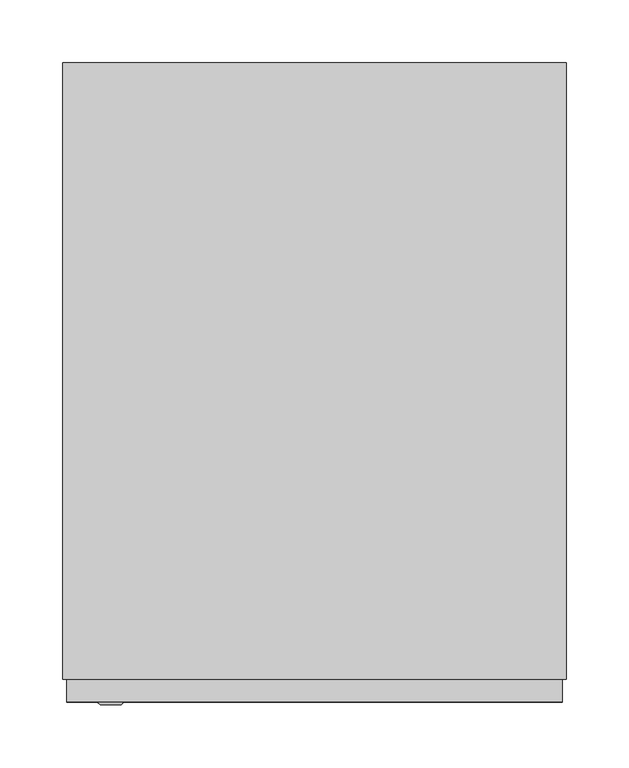
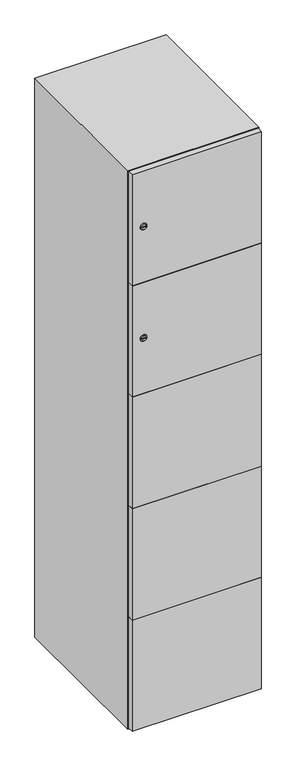
"""IFC4 building model written with IfcOpenShell, lengths in millimetres: furniture geometry."""

from ifc_helpers import new_model, si_unit, point, frame, frame_2d, origin, place, context, project, spatial, polyline, circle_curve, trimmed, segment, composite_curve, outline, extrude, faceted_brep, source, transform, mapped, element, save
from ifc_brep_helpers import plane_surface, revolved_surface, advanced_brep


def furniture_d83f800d(model_context):
    return source(origin(), model_context, "Body", "SolidModel", [
        advanced_brep(
        [(-153.5, -265.2, 1358.8), (-170.5, -265.2, 1358.8), (-167.0, -265.2, 1357.55), (-167.0, -265.2, 1360.05), (-157.0, -265.2, 1360.05), (-157.0, -265.2, 1357.55), (-151.5, -263.0, 1358.8), (-172.5, -263.0, 1358.8), (-167.0, -263.0, 1360.05), (-167.0, -263.0, 1357.55), (-157.0, -263.0, 1357.55), (-157.0, -263.0, 1360.05)],
        [
            (0, 1, circle_curve(frame((-162.0, -265.2, 1358.8), z_axis=(0.0, -1.0, 0.0), x_axis=(1.0, 0.0, 0.0)), 8.5)),
            (1, 0, circle_curve(frame((-162.0, -265.2, 1358.8), z_axis=(0.0, -1.0, 0.0), x_axis=(-1.0, 0.0, 0.0)), 8.5)),
            (2, 3),
            (3, 4),
            (4, 5),
            (5, 2),
            (6, 7, circle_curve(frame((-162.0, -263.0, 1358.8), z_axis=(0.0, 1.0, 0.0), x_axis=(-1.0, 0.0, 0.0)), 10.5)),
            (7, 6, circle_curve(frame((-162.0, -263.0, 1358.8), z_axis=(0.0, 1.0, 0.0), x_axis=(1.0, 0.0, 0.0)), 10.5)),
            (8, 9),
            (9, 10),
            (10, 11),
            (11, 8),
            (0, 6),
            (7, 1),
            (8, 3),
            (2, 9),
            (11, 4),
            (10, 5),
        ],
        [
            plane_surface(frame((-162.0, -265.2, 1358.8), z_axis=(0.0, -1.0, 0.0), x_axis=(0.0, 0.0, 1.0))),
            plane_surface(frame((-162.0, -263.0, 1358.8), z_axis=(0.0, 1.0, 0.0), x_axis=(0.0, 0.0, 1.0))),
            revolved_surface(polyline([(-153.5, -265.2, 1358.8), (-151.5, -263.0, 1358.8)]), (-162.0, -274.55, 1358.8), (0.0, 1.0, 0.0)),
            revolved_surface(polyline([(-170.5, -265.2, 1358.8), (-172.5, -263.0, 1358.8)]), (-162.0, -274.55, 1358.8), (0.0, 1.0, 0.0)),
            plane_surface(frame((-167.0, -263.0, 1357.55), z_axis=(1.0, 0.0, 0.0), x_axis=(0.0, -1.0, 0.0))),
            plane_surface(frame((-167.0, -263.0, 1360.05), z_axis=(0.0, 0.0, -1.0), x_axis=(0.0, -1.0, 0.0))),
            plane_surface(frame((-157.0, -263.0, 1360.05), z_axis=(-1.0, 0.0, 0.0), x_axis=(0.0, -1.0, 0.0))),
            plane_surface(frame((-157.0, -263.0, 1357.55), z_axis=(0.0, 0.0, 1.0), x_axis=(0.0, -1.0, 0.0))),
        ],
        [
            (0, [[1, 2], [3, 4, 5, 6]]),
            (1, [[7, 8], [9, 10, 11, 12]]),
            (2, [[-1, 13, -8, 14]]),
            (3, [[-2, -14, -7, -13]]),
            (4, [[15, -3, 16, -9]]),
            (5, [[-15, -12, 17, -4]]),
            (6, [[-17, -11, 18, -5]]),
            (7, [[-16, -6, -18, -10]]),
        ],
    ),
        extrude(outline(composite_curve([segment(trimmed(circle_curve(frame_2d((1717.6, -188.7989466)), 7.0), [point((1724.6, -188.7989466))], [point((1710.6, -188.7989466))], False, "CARTESIAN"), True, "CONTINUOUS"), segment(polyline([(1710.6, -188.7989466), (1710.6, -160.7989466)]), True, "CONTINUOUS"), segment(trimmed(circle_curve(frame_2d((1717.6, -160.7989466)), 7.0), [point((1710.6, -160.7989466))], [point((1724.6, -160.7989466))], False, "CARTESIAN"), True, "CONTINUOUS"), segment(polyline([(1724.6, -160.7989466), (1724.6, -188.7989466)]), True, "CONTINUOUS")], self_intersect=False)), frame((0.0, -245.0, 0.0), z_axis=(0.0, 1.0, 0.0), x_axis=(0.0, 0.0, 1.0)), (0.0, 0.0, 1.0), 2.0),
        advanced_brep(
        [(-153.5, -265.2, 1717.6), (-170.5, -265.2, 1717.6), (-167.0, -265.2, 1716.35), (-167.0, -265.2, 1718.85), (-157.0, -265.2, 1718.85), (-157.0, -265.2, 1716.35), (-151.5, -263.0, 1717.6), (-172.5, -263.0, 1717.6), (-167.0, -263.0, 1718.85), (-167.0, -263.0, 1716.35), (-157.0, -263.0, 1716.35), (-157.0, -263.0, 1718.85)],
        [
            (0, 1, circle_curve(frame((-162.0, -265.2, 1717.6), z_axis=(0.0, -1.0, 0.0), x_axis=(1.0, 0.0, 0.0)), 8.5)),
            (1, 0, circle_curve(frame((-162.0, -265.2, 1717.6), z_axis=(0.0, -1.0, 0.0), x_axis=(-1.0, 0.0, 0.0)), 8.5)),
            (2, 3),
            (3, 4),
            (4, 5),
            (5, 2),
            (6, 7, circle_curve(frame((-162.0, -263.0, 1717.6), z_axis=(0.0, 1.0, 0.0), x_axis=(-1.0, 0.0, 0.0)), 10.5)),
            (7, 6, circle_curve(frame((-162.0, -263.0, 1717.6), z_axis=(0.0, 1.0, 0.0), x_axis=(1.0, 0.0, 0.0)), 10.5)),
            (8, 9),
            (9, 10),
            (10, 11),
            (11, 8),
            (0, 6),
            (7, 1),
            (8, 3),
            (2, 9),
            (11, 4),
            (10, 5),
        ],
        [
            plane_surface(frame((-162.0, -265.2, 1717.6), z_axis=(0.0, -1.0, 0.0), x_axis=(0.0, 0.0, 1.0))),
            plane_surface(frame((-162.0, -263.0, 1717.6), z_axis=(0.0, 1.0, 0.0), x_axis=(0.0, 0.0, 1.0))),
            revolved_surface(polyline([(-153.5, -265.2, 1717.6), (-151.5, -263.0, 1717.6)]), (-162.0, -274.55, 1717.6), (0.0, 1.0, 0.0)),
            revolved_surface(polyline([(-170.5, -265.2, 1717.6), (-172.5, -263.0, 1717.6)]), (-162.0, -274.55, 1717.6), (0.0, 1.0, 0.0)),
            plane_surface(frame((-167.0, -263.0, 1716.35), z_axis=(1.0, 0.0, 0.0), x_axis=(0.0, -1.0, 0.0))),
            plane_surface(frame((-167.0, -263.0, 1718.85), z_axis=(0.0, 0.0, -1.0), x_axis=(0.0, -1.0, 0.0))),
            plane_surface(frame((-157.0, -263.0, 1718.85), z_axis=(-1.0, 0.0, 0.0), x_axis=(0.0, -1.0, 0.0))),
            plane_surface(frame((-157.0, -263.0, 1716.35), z_axis=(0.0, 0.0, 1.0), x_axis=(0.0, -1.0, 0.0))),
        ],
        [
            (0, [[1, 2], [3, 4, 5, 6]]),
            (1, [[7, 8], [9, 10, 11, 12]]),
            (2, [[-1, 13, -8, 14]]),
            (3, [[-2, -14, -7, -13]]),
            (4, [[15, -3, 16, -9]]),
            (5, [[-15, -12, 17, -4]]),
            (6, [[-17, -11, 18, -5]]),
            (7, [[-16, -6, -18, -10]]),
        ],
    ),
        extrude(outline(polyline([(197.0, -245.0), (197.0, -263.0), (-197.0, -263.0), (-197.0, -245.0), (197.0, -245.0)])), frame((0.0, 0.0, 820.1), z_axis=(0.0, 0.0, 1.0), x_axis=(1.0, 0.0, 0.0)), (0.0, 0.0, 1.0), 359.8),
        extrude(outline(polyline([(197.0, -245.0), (197.0, -263.0), (-197.0, -263.0), (-197.0, -245.0), (197.0, -245.0)])), frame((0.0, 0.0, 461.3), z_axis=(0.0, 0.0, 1.0), x_axis=(1.0, 0.0, 0.0)), (0.0, 0.0, 1.0), 359.8),
        extrude(outline(polyline([(197.0, -245.0), (197.0, -263.0), (-197.0, -263.0), (-197.0, -245.0), (197.0, -245.0)])), frame((0.0, 0.0, 1178.9), z_axis=(0.0, 0.0, 1.0), x_axis=(1.0, 0.0, 0.0)), (0.0, 0.0, 1.0), 358.8),
        extrude(outline(polyline([(-197.0, -263.0), (-197.0, -245.0), (197.0, -245.0), (197.0, -263.0), (-197.0, -263.0)])), frame((0.0, 0.0, 1538.7), z_axis=(0.0, 0.0, 1.0), x_axis=(1.0, 0.0, 0.0)), (0.0, 0.0, 1.0), 358.3),
        extrude(outline(polyline([(197.0, -245.0), (197.0, -263.0), (-197.0, -263.0), (-197.0, -245.0), (197.0, -245.0)])), frame((0.0, 0.0, 103.0), z_axis=(0.0, 0.0, 1.0), x_axis=(1.0, 0.0, 0.0)), (0.0, 0.0, 1.0), 359.3),
        extrude(outline(polyline([(182.0, 227.0), (182.0, -227.0), (-182.0, -227.0), (-182.0, 227.0), (182.0, 227.0)])), frame((0.0, 0.0, 1520.2), z_axis=(0.0, 0.0, 1.0), x_axis=(1.0, 0.0, 0.0)), (0.0, 0.0, 1.0), 18.0),
        extrude(outline(polyline([(182.0, 227.0), (182.0, -227.0), (-182.0, -227.0), (-182.0, 227.0), (182.0, 227.0)])), frame((0.0, 0.0, 1167.4), z_axis=(0.0, 0.0, 1.0), x_axis=(1.0, 0.0, 0.0)), (0.0, 0.0, 1.0), 18.0),
        extrude(outline(polyline([(182.0, 227.0), (182.0, -227.0), (-182.0, -227.0), (-182.0, 227.0), (182.0, 227.0)])), frame((0.0, 0.0, 814.6), z_axis=(0.0, 0.0, 1.0), x_axis=(1.0, 0.0, 0.0)), (0.0, 0.0, 1.0), 18.0),
        extrude(outline(polyline([(-182.0, 227.0), (182.0, 227.0), (182.0, -227.0), (-182.0, -227.0), (-182.0, 227.0)])), frame((0.0, 0.0, 461.8), z_axis=(0.0, 0.0, 1.0), x_axis=(1.0, 0.0, 0.0)), (0.0, 0.0, 1.0), 18.0),
        faceted_brep([(200.0, -245.0, 100.0), (200.0, -245.0, 1900.0), (-200.0, -245.0, 1900.0), (-200.0, -245.0, 100.0), (182.0, -245.0, 1882.0), (182.0, -245.0, 118.0), (-182.0, -245.0, 118.0), (-182.0, -245.0, 1882.0), (200.0, 245.0, 100.0), (-200.0, 245.0, 100.0), (200.0, 245.0, 1900.0), (-200.0, 245.0, 1900.0), (182.0, 227.0, 1882.0), (182.0, 227.0, 118.0), (-200.0, 245.0, 1882.0), (-182.0, 227.0, 1882.0), (-182.0, 227.0, 118.0)], [[[0, 1, 2, 3], [4, 5, 6, 7]], [[8, 0, 3, 9]], [[1, 0, 8, 10]], [[1, 10, 11, 2]], [[4, 12, 13, 5]], [[9, 3, 2, 11, 14]], [[10, 8, 9, 14, 11]], [[12, 15, 16, 13]], [[15, 7, 6, 16]], [[4, 7, 15, 12]], [[6, 5, 13, 16]]]),
    ])


if __name__ == "__main__":
    model = new_model("IFC4")
    model_context = context("Model", 3, world=origin())
    ifc_project = project(units=[si_unit("LENGTHUNIT", "METRE", prefix="MILLI")], contexts=[model_context])
    site = spatial("IfcSite", under=ifc_project)
    building = spatial("IfcBuilding", under=site)
    placement = place(None, origin())
    furniture_shape = furniture_d83f800d(model_context)
    element("IfcFurniture", 1, at=placement, inside=building, context=model_context, shape_type="MappedRepresentation", body=[
        mapped(furniture_shape, transform((0.0, 0.0, 0.0), x_axis=(1.0, 0.0, 0.0), y_axis=(0.0, 1.0, 0.0), z_axis=(0.0, 0.0, 1.0))),
    ])
    save(model, "model.ifc")
